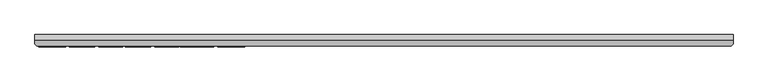
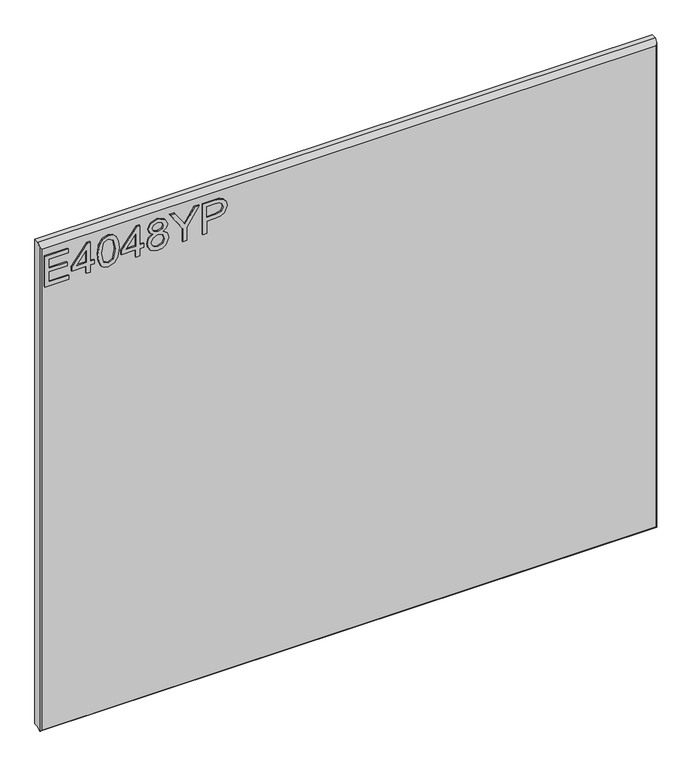
"""IFC4 building model written with IfcOpenShell, lengths in millimetres: furniture geometry."""

from ifc_helpers import new_model, si_unit, frame, origin, place, context, project, spatial, polyline, outline, extrude, faceted_brep, source, transform, mapped, element, save


def furniture_cd2bb834(model_context):
    return source(origin(), model_context, "Body", "SolidModel", [
        extrude(outline(polyline([(2030.1942188, -279.0852904), (2030.1942188, -232.2396877), (2038.1679384, -232.2396877), (2038.1679384, -271.1115708), (2059.0989524, -271.1115708), (2059.0989524, -235.2298325), (2067.072672, -235.2298325), (2067.072672, -271.1115708), (2086.0102561, -271.1115708), (2086.0102561, -233.2364026), (2093.9839757, -233.2364026), (2093.9839757, -279.0852904), (2030.1942188, -279.0852904)])), frame((0.0, -21.9273438, 0.0), z_axis=(0.0, 1.0, 0.0), x_axis=(0.0, 0.0, 1.0)), (0.0, 0.0, 1.0), 2.38125),
        extrude(outline(polyline([(2030.1942188, -197.3546643), (2030.1942188, -189.3809447), (2045.144943, -189.3809447), (2045.144943, -181.4072251), (2053.1186627, -181.4072251), (2053.1186627, -189.3809447), (2092.9872607, -189.3809447), (2092.9872607, -195.3612344), (2053.1186627, -226.2593979), (2045.144943, -226.2593979), (2045.144943, -197.3546643), (2030.1942188, -197.3546643)]), holes=[polyline([(2053.1186627, -197.3546643), (2053.1186627, -216.4479851), (2077.7562104, -197.3546643), (2053.1186627, -197.3546643)])]), frame((0.0, -21.9273438, 0.0), z_axis=(0.0, 1.0, 0.0), x_axis=(0.0, 0.0, 1.0)), (0.0, 0.0, 1.0), 2.38125),
        extrude(outline(polyline([(2061.5751661, -174.4302204), (2046.0598962, -172.841706), (2035.2712355, -168.0761626), (2030.7159367, -161.7843995), (2029.1975038, -153.4992064), (2032.693793, -141.8267399), (2043.299463, -134.8886694), (2061.5751661, -132.5681924), (2076.5648245, -134.0165438), (2086.0024692, -137.7542249), (2091.9282511, -144.1861511), (2093.9839757, -153.4992064), (2090.511047, -165.1249519), (2079.9287375, -172.0863829), (2061.5751661, -174.4302204)]), holes=[polyline([(2061.5907397, -166.4565008), (2081.7430702, -162.5942304), (2086.0102561, -153.5926485), (2081.1668444, -144.1550038), (2061.5907397, -140.5419121), (2041.8043906, -144.2795931), (2037.1712234, -153.4992064), (2041.7888169, -162.7188197), (2061.5907397, -166.4565008)])]), frame((0.0, -21.9273438, 0.0), z_axis=(0.0, 1.0, 0.0), x_axis=(0.0, 0.0, 1.0)), (0.0, 0.0, 1.0), 2.38125),
        extrude(outline(polyline([(2030.1942188, -99.676599), (2030.1942188, -91.7028794), (2045.144943, -91.7028794), (2045.144943, -83.7291598), (2053.1186627, -83.7291598), (2053.1186627, -91.7028794), (2092.9872607, -91.7028794), (2092.9872607, -97.6831691), (2053.1186627, -128.5813326), (2045.144943, -128.5813326), (2045.144943, -99.676599), (2030.1942188, -99.676599)]), holes=[polyline([(2053.1186627, -99.676599), (2053.1186627, -118.7699198), (2077.7562104, -99.676599), (2053.1186627, -99.676599)])]), frame((0.0, -21.9273438, 0.0), z_axis=(0.0, 1.0, 0.0), x_axis=(0.0, 0.0, 1.0)), (0.0, 0.0, 1.0), 2.38125),
        extrude(outline(polyline([(2065.3284208, -65.1341964), (2059.5350152, -73.7308629), (2048.9760661, -76.7521551), (2041.2184312, -75.3115905), (2034.8585333, -70.9898968), (2030.6127612, -64.3165787), (2029.1975038, -55.8211411), (2030.606921, -47.3257035), (2034.8351727, -40.6523854), (2048.7580347, -34.8901271), (2059.0755919, -37.7946168), (2065.3284208, -46.2744807), (2070.2574877, -39.2118208), (2077.771784, -36.883557), (2089.2651533, -42.1163105), (2093.9839757, -55.9301568), (2089.374169, -69.6194137), (2077.9898154, -74.7587252), (2070.2808482, -72.399314), (2065.3284208, -65.1341964)]), holes=[polyline([(2077.7562104, -66.7850056), (2083.5807634, -63.9116633), (2086.0102561, -55.8211411), (2083.5262555, -47.7539795), (2077.3980159, -44.8572766), (2071.4800209, -47.6605374), (2069.0661019, -55.7276991), (2071.4955946, -63.9583843), (2077.7562104, -66.7850056)]), polyline([(2049.2563922, -68.7784355), (2057.7128956, -65.4067357), (2061.0923823, -56.0235988), (2057.6661746, -46.3679227), (2049.0072135, -42.8638467), (2040.5117759, -46.258907), (2037.1712234, -55.7588464), (2038.7597379, -62.7358511), (2043.252742, -67.4468866), (2049.2563922, -68.7784355)])]), frame((0.0, -21.9273438, 0.0), z_axis=(0.0, 1.0, 0.0), x_axis=(0.0, 0.0, 1.0)), (0.0, 0.0, 1.0), 2.38125),
        extrude(outline(polyline([(2030.1942188, -6.9821084), (2030.1942188, 0.9916112), (2057.2145382, 0.9916112), (2093.9839757, 25.909485), (2093.9839757, 16.5029876), (2075.0619653, 4.4333925), (2064.3317059, -2.3878755), (2074.3455764, -9.1935697), (2093.9839757, -22.4934849), (2093.9839757, -31.8999823), (2057.2145382, -6.9821084), (2030.1942188, -6.9821084)])), frame((0.0, -21.9273438, 0.0), z_axis=(0.0, 1.0, 0.0), x_axis=(0.0, 0.0, 1.0)), (0.0, 0.0, 1.0), 2.38125),
        extrude(outline(polyline([(2030.1942188, 32.8864896), (2030.1942188, 40.8602093), (2056.1088075, 40.8602093), (2056.1088075, 57.0724009), (2057.5182247, 68.4002999), (2061.7464765, 75.5972827), (2075.5291754, 80.7288074), (2084.2270707, 78.8288195), (2090.3942445, 73.8063105), (2093.3766025, 66.0584091), (2093.9839757, 56.5273224), (2093.9839757, 32.8864896), (2030.1942188, 32.8864896)]), holes=[polyline([(2064.0825271, 40.8602093), (2086.0102561, 40.8602093), (2086.0102561, 57.352727), (2085.4651776, 65.3264466), (2081.8520859, 70.70715), (2075.2488493, 72.7550877), (2067.0103773, 69.2821591), (2064.0825271, 57.539611), (2064.0825271, 40.8602093)])]), frame((0.0, -21.9273438, 0.0), z_axis=(0.0, 1.0, 0.0), x_axis=(0.0, 0.0, 1.0)), (0.0, 0.0, 1.0), 2.38125),
        faceted_brep([(933.1377049, 0.0, 2119.0942187), (-286.0622951, 0.0, 2119.0942187), (-286.0622951, -9.7234375, 2119.0942187), (933.1377049, -9.7234375, 2119.0942187), (-286.0622951, 0.0, 1107.9559375), (933.1377049, 0.0, 1107.9559375), (933.1377049, -10.0210916, 1107.9559375), (-286.0622951, -10.0210916, 1107.9559375), (-286.0622951, -15.9900938, 1101.9869354), (-286.0622951, -15.9900938, 2112.8275625), (929.9627049, -19.5460937, 2109.2715625), (-282.8872951, -19.5460937, 2109.2715625), (-282.8872951, -19.5460937, 1104.7809375), (929.9627068, -19.5460937, 1104.7809375), (933.1377049, -15.9900938, 2112.8275625), (933.1377049, -15.9900938, 1101.9869354), (932.7975282, -16.3710916, 1101.6059375), (-285.7221184, -16.3710916, 1101.6059375)], [[[0, 1, 2, 3]], [[4, 5, 6, 7]], [[1, 4, 7, 8, 9, 2]], [[10, 11, 12, 13]], [[5, 0, 3, 14, 15, 6]], [[1, 0, 5, 4]], [[3, 2, 9, 11, 10, 14]], [[7, 6, 15, 16, 17, 8]], [[17, 16, 13, 12]], [[9, 8, 17, 12, 11]], [[10, 13, 16, 15, 14]]]),
    ])


if __name__ == "__main__":
    model = new_model("IFC4")
    model_context = context("Model", 3, world=origin())
    ifc_project = project(units=[si_unit("LENGTHUNIT", "METRE", prefix="MILLI")], contexts=[model_context])
    site = spatial("IfcSite", under=ifc_project)
    building = spatial("IfcBuilding", under=site)
    placement = place(None, origin())
    furniture_shape = furniture_cd2bb834(model_context)
    element("IfcFurniture", 1, at=placement, inside=building, context=model_context, shape_type="MappedRepresentation", body=[
        mapped(furniture_shape, transform((0.0, 0.0, 0.0), x_axis=(1.0, 0.0, 0.0), y_axis=(0.0, 1.0, 0.0), z_axis=(0.0, 0.0, 1.0))),
    ])
    save(model, "model.ifc")
